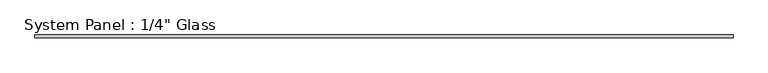
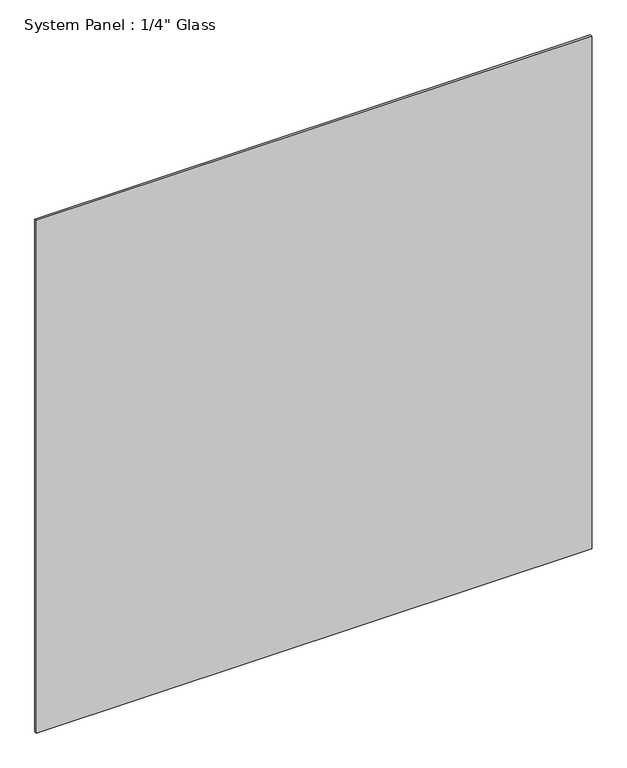
"""IFC4 building model written with IfcOpenShell, lengths in millimetres: plate geometry."""

import ifcopenshell
import ifcopenshell.guid

model = None  # the IFC model being written
_history = None  # IfcOwnerHistory: only IFC2X3 demands one
_inside = {}  # id of a spatial element -> (the spatial element, [elements in it])
_under = {}  # id of a project, library or spatial element -> (it, [spatial elements below it])
_declared = {}  # id of a project -> (the project, [libraries it declares])
_typed = {}  # id of a type object -> (the type object, [elements of that type])
_made_of = {}  # id of a material, layer set ... -> (it, [elements and type objects made of it])


def new_model(schema):
    """Start an empty IFC model of exactly this schema.

    Asked for "IFC4X3", IfcOpenShell would pick the latest addendum, in which some entities
    have other attributes; the version numbers below select the first issue.
    IFC2X3 requires an IfcOwnerHistory on every rooted entity: one is made here for all.
    """
    global model, _history
    if schema == "IFC4X3":
        model = ifcopenshell.file(schema_version=(4, 3, 0, 0))
    else:
        model = ifcopenshell.file(schema=schema)
    _inside.clear()
    _under.clear()
    _declared.clear()
    _typed.clear()
    _made_of.clear()
    _history = None
    if model.schema == "IFC2X3":
        org = make("IfcOrganization", Name="unknown")
        user = make(
            "IfcPersonAndOrganization",
            ThePerson=make("IfcPerson", FamilyName="unknown"),
            TheOrganization=org,
        )
        app = make(
            "IfcApplication",
            ApplicationDeveloper=org,
            Version="unknown",
            ApplicationFullName="unknown",
            ApplicationIdentifier="unknown",
        )
        _history = make(
            "IfcOwnerHistory",
            OwningUser=user,
            OwningApplication=app,
            ChangeAction="ADDED",
            CreationDate=0,
        )
    return model


def make(cls, **values):
    """One entity of the class cls with the attributes given. An attribute that is None is left unset."""
    return model.create_entity(
        cls, **{name: value for name, value in values.items() if value is not None}
    )


def rooted(cls, **values):
    """An entity with a GlobalId (a new one), such as an element, a storey or a relation."""
    return make(cls, GlobalId=ifcopenshell.guid.new(), OwnerHistory=_history, **values)


def si_unit(unit_type, name, prefix=None):
    """IfcSIUnit, for example si_unit("LENGTHUNIT", "METRE", prefix="MILLI")."""
    return make("IfcSIUnit", UnitType=unit_type, Prefix=prefix, Name=name)


def assignment(units):
    """IfcUnitAssignment: the units of a project."""
    return None if units is None else make("IfcUnitAssignment", Units=units)


def point(xyz):
    """IfcCartesianPoint."""
    return None if xyz is None else make("IfcCartesianPoint", Coordinates=xyz)


def direction(xyz):
    """IfcDirection."""
    return None if xyz is None else make("IfcDirection", DirectionRatios=xyz)


def frame(location, z_axis=None, x_axis=None):
    """IfcAxis2Placement3D, a coordinate frame: its origin and axes. An axis left out is left unset."""
    return make(
        "IfcAxis2Placement3D",
        Location=point(location),
        Axis=direction(z_axis),
        RefDirection=direction(x_axis),
    )


def origin():
    """The frame at (0, 0, 0) with its axes left unset."""
    return frame((0.0, 0.0, 0.0))


def origin_with_axes():
    """The frame at (0, 0, 0) with the z axis (0, 0, 1) and the x axis (1, 0, 0) written out."""
    return frame((0.0, 0.0, 0.0), z_axis=(0.0, 0.0, 1.0), x_axis=(1.0, 0.0, 0.0))


def place(relative_to, where):
    """IfcLocalPlacement: puts the frame where relative to a parent placement (None: the world)."""
    return make(
        "IfcLocalPlacement", PlacementRelTo=relative_to, RelativePlacement=where
    )


def context(
    kind, dimensions, precision=None, world=None, true_north=None, identifier=None
):
    """IfcGeometricRepresentationContext, for example the 3D "Model" context."""
    return make(
        "IfcGeometricRepresentationContext",
        ContextIdentifier=identifier,
        ContextType=kind,
        CoordinateSpaceDimension=dimensions,
        Precision=precision,
        WorldCoordinateSystem=world,
        TrueNorth=true_north,
    )


def project(units=None, contexts=None):
    """IfcProject with its units and contexts."""
    return rooted(
        "IfcProject",
        Name="project",
        RepresentationContexts=contexts,
        UnitsInContext=assignment(units),
    )


def spatial(cls, under=None, at=None, **own):
    """A site, building, storey or space (cls), placed at a placement, below another one or the project."""
    s = rooted(cls, ObjectPlacement=at, **own)
    if under is not None:
        _under.setdefault(under.id(), (under, []))[1].append(s)
    return s


def polyline(points):
    """IfcPolyline through the points."""
    return make("IfcPolyline", Points=[point(p) for p in points])


def outline(outer, holes=None, kind="AREA"):
    """IfcArbitraryClosedProfileDef: a profile drawn as a closed curve; with holes, ...WithVoids."""
    if holes is None:
        return make("IfcArbitraryClosedProfileDef", ProfileType=kind, OuterCurve=outer)
    return make(
        "IfcArbitraryProfileDefWithVoids",
        ProfileType=kind,
        OuterCurve=outer,
        InnerCurves=holes,
    )


def extrude(swept, where, along, depth):
    """IfcExtrudedAreaSolid: the profile swept, set in the frame where, extruded along a direction by depth."""
    return make(
        "IfcExtrudedAreaSolid",
        SweptArea=swept,
        Position=where,
        ExtrudedDirection=direction(along),
        Depth=depth,
    )


def shape(context_of_items, identifier, shape_type, items):
    """IfcShapeRepresentation: the items that make up one representation, for example the "Body"."""
    return make(
        "IfcShapeRepresentation",
        ContextOfItems=context_of_items,
        RepresentationIdentifier=identifier,
        RepresentationType=shape_type,
        Items=items,
    )


def source(mapping_origin, context_of_items, identifier, shape_type, items):
    """IfcRepresentationMap: a shape defined once, which mapped items show again and again."""
    return make(
        "IfcRepresentationMap",
        MappingOrigin=mapping_origin,
        MappedRepresentation=shape(context_of_items, identifier, shape_type, items),
    )


def transform(
    local_origin,
    x_axis=None,
    y_axis=None,
    z_axis=None,
    scale=None,
    scale2=None,
    scale3=None,
    uniform=True,
):
    """IfcCartesianTransformationOperator3D, or its non-uniform kind. x_axis, y_axis, z_axis: its Axis1, 2, 3."""
    if uniform:
        return make(
            "IfcCartesianTransformationOperator3D",
            Axis1=direction(x_axis),
            Axis2=direction(y_axis),
            LocalOrigin=point(local_origin),
            Scale=scale,
            Axis3=direction(z_axis),
        )
    return make(
        "IfcCartesianTransformationOperator3DnonUniform",
        Axis1=direction(x_axis),
        Axis2=direction(y_axis),
        LocalOrigin=point(local_origin),
        Scale=scale,
        Axis3=direction(z_axis),
        Scale2=scale2,
        Scale3=scale3,
    )


def mapped(mapping_source, mapping_target):
    """IfcMappedItem: shows the shape of a source again, moved by a transform."""
    return make(
        "IfcMappedItem", MappingSource=mapping_source, MappingTarget=mapping_target
    )


def made_of(thing, what):
    """Note that an element or type object is made of a material, layer set ...; save() writes the relation."""
    if what is not None:
        _made_of.setdefault(what.id(), (what, []))[1].append(thing)
    return thing


def element(
    cls,
    number,
    at=None,
    inside=None,
    cuts=None,
    type_object=None,
    material=None,
    context=None,
    identifier="Body",
    shape_type=None,
    held_by="IfcProductDefinitionShape",
    body=None,
    shapes=None,
    **own,
):
    """One element of the class cls, such as IfcWall. Its Tag is "e" and its number.

    at: its placement. inside: the storey or other place that contains it. cuts: it is an
    opening in that element (IfcRelVoidsElement). A single representation is given by context,
    identifier, shape_type and body (its items); several are given by shapes. held_by: the class
    of the entity that holds the representations. save() writes the other relations.
    """
    e = rooted(cls, Tag="e%d" % number, ObjectPlacement=at, **own)
    if body is not None:
        shapes = [shape(context, identifier, shape_type, body)]
    if shapes is not None:
        e.Representation = make(held_by, Representations=shapes)
    if inside is not None:
        _inside.setdefault(inside.id(), (inside, []))[1].append(e)
    if cuts is not None:
        rooted(
            "IfcRelVoidsElement", RelatingBuildingElement=cuts, RelatedOpeningElement=e
        )
    if type_object is not None:
        _typed.setdefault(type_object.id(), (type_object, []))[1].append(e)
    return made_of(e, material)


def aggregate(whole, parts):
    """IfcRelAggregates: a whole, such as a stair, and the parts it consists of."""
    return rooted("IfcRelAggregates", RelatingObject=whole, RelatedObjects=parts)


def save(model, path):
    """Write the relations noted so far, then the file.

    IfcRelAggregates (storeys below a building ...), IfcRelContainedInSpatialStructure (elements
    in a storey), IfcRelDefinesByType, IfcRelAssociatesMaterial and IfcRelDeclares: one each for
    every whole, place, type object, material and project.
    """
    for whole, parts in _under.values():
        aggregate(whole, parts)
    for where, things in _inside.values():
        rooted(
            "IfcRelContainedInSpatialStructure",
            RelatedElements=things,
            RelatingStructure=where,
        )
    for kind, things in _typed.values():
        rooted("IfcRelDefinesByType", RelatedObjects=things, RelatingType=kind)
    for what, things in _made_of.values():
        rooted("IfcRelAssociatesMaterial", RelatedObjects=things, RelatingMaterial=what)
    for by, libraries in _declared.values():
        rooted("IfcRelDeclares", RelatingContext=by, RelatedDefinitions=libraries)
    model.write(path)


def plate_ed6b1f5a(model_context):
    return source(origin(), model_context, "Body", "SweptSolid", [
        extrude(outline(polyline([(734.0055865, -3.175), (-734.0055865, -3.175), (-734.0055865, 3.175), (734.0055865, 3.175), (734.0055865, -3.175)])), origin_with_axes(), (0.0, 0.0, 1.0), 1431.2917704),
    ])


if __name__ == "__main__":
    model = new_model("IFC4")
    model_context = context("Model", 3, world=origin())
    ifc_project = project(units=[si_unit("LENGTHUNIT", "METRE", prefix="MILLI")], contexts=[model_context])
    site = spatial("IfcSite", under=ifc_project)
    building = spatial("IfcBuilding", under=site)
    placement = place(None, origin())
    plate_shape = plate_ed6b1f5a(model_context)
    element("IfcPlate", 1, ObjectType="System Panel : 1/4\" Glass", at=placement, inside=building, context=model_context, shape_type="MappedRepresentation", body=[
        mapped(plate_shape, transform((0.0, 0.0, 0.0), x_axis=(1.0, 0.0, 0.0), y_axis=(0.0, 1.0, 0.0), z_axis=(0.0, 0.0, 1.0))),
    ])
    save(model, "model.ifc")
